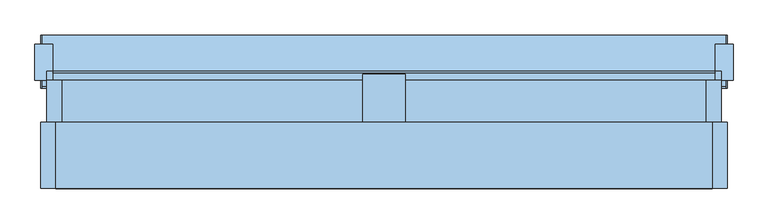
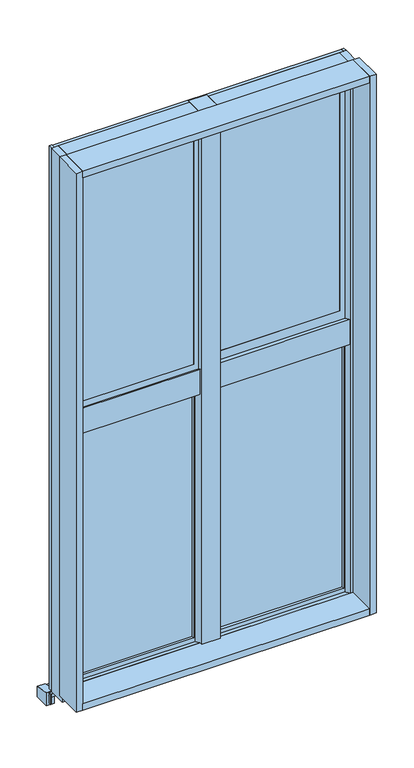
"""IFC4 building model written with IfcOpenShell, lengths in millimetres: window geometry."""

from ifc_helpers import new_model, si_unit, frame, origin, place, context, project, spatial, polyline, outline, extrude, faceted_brep, source, transform, mapped, element, save


def window_012dd9d3(model_context):
    return source(origin(), model_context, "Body", "SolidModel", [
        extrude(outline(polyline([(-40.0, 3030.0), (50.0, 3030.0), (50.0, 845.0), (-30.0, 845.0), (-30.0, 900.0), (-40.0, 900.0), (-40.0, 3030.0)])), frame((-35.0, 0.0, 0.0), z_axis=(1.0, 0.0, 0.0), x_axis=(0.0, 1.0, 0.0)), (0.0, 0.0, 1.0), 70.0),
        extrude(outline(polyline([(-535.0, -30.0), (-560.0, -30.0), (-560.0, 40.0), (-535.0, 40.0), (-535.0, -30.0)])), frame((0.0, 0.0, 845.0), z_axis=(0.0, 0.0, 1.0), x_axis=(1.0, 0.0, 0.0)), (0.0, 0.0, 1.0), 2185.0000244),
        extrude(outline(polyline([(535.0, -30.0), (535.0, 40.0), (560.0, 40.0), (560.0, -30.0), (535.0, -30.0)])), frame((0.0, 0.0, 845.0), z_axis=(0.0, 0.0, 1.0), x_axis=(1.0, 0.0, 0.0)), (0.0, 0.0, 1.0), 2185.0000244),
        extrude(outline(polyline([(39.9999993, 845.0), (-30.0, 845.0), (-30.0, 900.0), (39.9999993, 867.3584642), (39.9999993, 845.0)])), frame((-535.0, 0.0, 0.0), z_axis=(1.0, 0.0, 0.0), x_axis=(0.0, 1.0, 0.0)), (0.0, 0.0, 1.0), 500.0),
        extrude(outline(polyline([(-35.0, 40.0), (-35.0, -30.0), (-535.0, -30.0), (-535.0, 40.0), (-35.0, 40.0)])), frame((0.0, 0.0, 3000.0), z_axis=(0.0, 0.0, 1.0), x_axis=(1.0, 0.0, 0.0)), (0.0, 0.0, 1.0), 30.0),
        extrude(outline(polyline([(39.9999993, 845.0), (-30.0, 845.0), (-30.0, 900.0), (39.9999993, 867.3584642), (39.9999993, 845.0)])), frame((35.0, 0.0, 0.0), z_axis=(1.0, 0.0, 0.0), x_axis=(0.0, 1.0, 0.0)), (0.0, 0.0, 1.0), 500.0),
        extrude(outline(polyline([(535.0, 40.0), (535.0, -30.0), (35.0, -30.0), (35.0, 40.0), (535.0, 40.0)])), frame((0.0, 0.0, 3000.0), z_axis=(0.0, 0.0, 1.0), x_axis=(1.0, 0.0, 0.0)), (0.0, 0.0, 1.0), 30.0),
        extrude(outline(polyline([(-30.0, 1900.0), (-30.0, 2000.0), (40.0, 1967.3584639), (40.0, 1900.0), (-30.0, 1900.0)])), frame((-535.0, 0.0, 0.0), z_axis=(1.0, 0.0, 0.0), x_axis=(0.0, 1.0, 0.0)), (0.0, 0.0, 1.0), 500.0),
        extrude(outline(polyline([(-30.0, 1900.0), (-30.0, 2000.0), (40.0, 1967.3584639), (40.0, 1900.0), (-30.0, 1900.0)])), frame((35.0, 0.0, 0.0), z_axis=(1.0, 0.0, 0.0), x_axis=(0.0, 1.0, 0.0)), (0.0, 0.0, 1.0), 500.0),
        extrude(outline(polyline([(-40.0, 15.0), (-530.0, 15.0), (-530.0, 20.0), (-40.0, 20.0), (-40.0, 15.0)])), frame((0.0, 0.0, 900.0), z_axis=(0.0, 0.0, 1.0), x_axis=(1.0, 0.0, 0.0)), (0.0, 0.0, 1.0), 1000.0),
        faceted_brep([(-530.0, 5.0, 1900.0), (-530.0, 30.0, 1900.0), (-535.0, 30.0, 1900.0), (-535.0, 5.0, 1900.0), (-35.0, 5.0, 1900.0), (-35.0, 30.0, 1900.0), (-40.0, 30.0, 1900.0), (-40.0, 5.0, 1900.0), (-530.0, 5.0, 900.0), (-530.0, 30.0, 900.0), (-40.0, 30.0, 900.0), (-35.0, 30.0, 872.0215405), (-535.0, 30.0, 872.0215405), (-535.0, 5.0, 883.679232), (-35.0, 5.0, 883.679232), (-40.0, 5.0, 900.0)], [[[0, 1, 2, 3]], [[4, 5, 6, 7]], [[1, 0, 8, 9]], [[2, 1, 9, 10, 6, 5, 11, 12]], [[3, 2, 12, 13]], [[0, 3, 13, 14, 4, 7, 15, 8]], [[11, 5, 4, 14]], [[7, 6, 10, 15]], [[11, 14, 13, 12]], [[8, 15, 10, 9]]]),
        extrude(outline(polyline([(515.0, 5.0), (55.0, 5.0), (55.0, 35.0), (515.0, 35.0), (515.0, 5.0)])), frame((0.0, 0.0, 2020.0), z_axis=(0.0, 0.0, 1.0), x_axis=(1.0, 0.0, 0.0)), (0.0, 0.0, 1.0), 960.0),
        faceted_brep([(35.0, 35.0, 3000.0), (35.0, 5.0, 3000.0), (535.0, 5.0, 3000.0), (535.0, 35.0, 3000.0), (55.0, 5.0, 2980.0), (55.0, 5.0, 2020.0), (55.0, 35.0, 2020.0), (55.0, 35.0, 2980.0), (535.0, 35.0, 1969.6900022), (35.0, 35.0, 1969.6900022), (515.0, 35.0, 2020.0), (515.0, 35.0, 2980.0), (35.0, 5.0, 1983.679232), (535.0, 5.0, 1983.679232), (515.0, 5.0, 2980.0), (515.0, 5.0, 2020.0)], [[[0, 1, 2, 3]], [[4, 5, 6, 7]], [[0, 3, 8, 9], [6, 10, 11, 7]], [[1, 0, 9, 12]], [[2, 1, 12, 13], [4, 14, 15, 5]], [[8, 3, 2, 13]], [[11, 10, 15, 14]], [[8, 13, 12, 9]], [[10, 6, 5, 15]], [[7, 11, 14, 4]]]),
        extrude(outline(polyline([(-55.0, -20.0), (-515.0, -20.0), (-515.0, 30.0), (-55.0, 30.0), (-55.0, -20.0)])), frame((0.0, 0.0, 2020.0), z_axis=(0.0, 0.0, 1.0), x_axis=(1.0, 0.0, 0.0)), (0.0, 0.0, 1.0), 960.0),
        faceted_brep([(-535.0, 30.0, 3000.0), (-535.0, -20.0, 3000.0), (-35.0, -20.0, 3000.0), (-35.0, 30.0, 3000.0), (-515.0, -20.0, 2980.0), (-515.0, -20.0, 2020.0), (-515.0, 30.0, 2020.0), (-515.0, 30.0, 2980.0), (-35.0, 30.0, 1972.0215405), (-535.0, 30.0, 1972.0215405), (-55.0, 30.0, 2020.0), (-55.0, 30.0, 2980.0), (-535.0, -20.0, 1995.3369234), (-35.0, -20.0, 1995.3369234), (-55.0, -20.0, 2980.0), (-55.0, -20.0, 2020.0)], [[[0, 1, 2, 3]], [[4, 5, 6, 7]], [[0, 3, 8, 9], [6, 10, 11, 7]], [[1, 0, 9, 12]], [[2, 1, 12, 13], [4, 14, 15, 5]], [[8, 3, 2, 13]], [[11, 10, 15, 14]], [[8, 13, 12, 9]], [[10, 6, 5, 15]], [[7, 11, 14, 4]]]),
        extrude(outline(polyline([(530.0, 15.0), (40.0, 15.0), (40.0, 20.0), (530.0, 20.0), (530.0, 15.0)])), frame((0.0, 0.0, 900.0), z_axis=(0.0, 0.0, 1.0), x_axis=(1.0, 0.0, 0.0)), (0.0, 0.0, 1.0), 1000.0),
        faceted_brep([(40.0, 5.0, 1900.0), (40.0, 30.0, 1900.0), (35.0, 30.0, 1900.0), (35.0, 5.0, 1900.0), (535.0, 5.0, 1900.0), (535.0, 30.0, 1900.0), (530.0, 30.0, 1900.0), (530.0, 5.0, 1900.0), (40.0, 5.0, 900.0), (40.0, 30.0, 900.0), (530.0, 30.0, 900.0), (535.0, 30.0, 872.0215405), (35.0, 30.0, 872.0215405), (35.0, 5.0, 883.679232), (535.0, 5.0, 883.679232), (530.0, 5.0, 900.0)], [[[0, 1, 2, 3]], [[4, 5, 6, 7]], [[1, 0, 8, 9]], [[2, 1, 9, 10, 6, 5, 11, 12]], [[3, 2, 12, 13]], [[0, 3, 13, 14, 4, 7, 15, 8]], [[11, 5, 4, 14]], [[7, 6, 10, 15]], [[11, 14, 13, 12]], [[8, 15, 10, 9]]]),
        extrude(outline(polyline([(100.0, 837.6041372), (100.0, 794.7), (40.0, 794.7), (40.0, 848.2785558), (100.0, 837.6041372)])), frame((-580.0, 0.0, 0.0), z_axis=(1.0, 0.0, 0.0), x_axis=(0.0, 1.0, 0.0)), (0.0, 0.0, 1.0), 30.0),
        extrude(outline(polyline([(100.0, 837.6041372), (100.0, 794.7), (40.0, 794.7), (40.0, 848.2785558), (100.0, 837.6041372)])), frame((550.0, 0.0, 0.0), z_axis=(1.0, 0.0, 0.0), x_axis=(0.0, 1.0, 0.0)), (0.0, 0.0, 1.0), 30.0),
        extrude(outline(polyline([(40.0, 845.0), (40.0, 833.0430233), (115.0, 819.7), (115.0, 804.7), (27.0, 804.7), (27.0, 845.0), (40.0, 845.0)])), frame((-570.0, 0.0, 0.0), z_axis=(1.0, 0.0, 0.0), x_axis=(0.0, 1.0, 0.0)), (0.0, 0.0, 1.0), 1.5),
        extrude(outline(polyline([(40.0, 845.0), (40.0, 833.0430233), (115.0, 819.7), (115.0, 804.7), (27.0, 804.7), (27.0, 845.0), (40.0, 845.0)])), frame((568.5, 0.0, 0.0), z_axis=(1.0, 0.0, 0.0), x_axis=(0.0, 1.0, 0.0)), (0.0, 0.0, 1.0), 1.5),
        extrude(outline(polyline([(115.0, 819.7), (115.0, 804.7), (113.0, 804.7), (113.0, 818.0244096), (27.0, 833.3244096), (27.0, 845.0), (29.0, 845.0), (29.0, 835.0), (115.0, 819.7)])), frame((-568.5, 0.0, 0.0), z_axis=(1.0, 0.0, 0.0), x_axis=(0.0, 1.0, 0.0)), (0.0, 0.0, 1.0), 1137.0),
        extrude(outline(polyline([(113.0, 818.0244096), (113.0, 804.7), (100.0, 804.7), (100.0, 820.3372003), (113.0, 818.0244096)])), frame((-568.5, 0.0, 0.0), z_axis=(1.0, 0.0, 0.0), x_axis=(0.0, 1.0, 0.0)), (0.0, 0.0, 1.0), 1137.0),
        extrude(outline(polyline([(29.0, 845.0), (40.0, 845.0), (40.0, 833.0430233), (29.0, 835.0), (29.0, 845.0)])), frame((-568.5, 0.0, 0.0), z_axis=(1.0, 0.0, 0.0), x_axis=(0.0, 1.0, 0.0)), (0.0, 0.0, 1.0), 1137.0),
        extrude(outline(polyline([(545.0, -30.0), (545.0, -140.0), (-545.0, -140.0), (-545.0, -30.0), (545.0, -30.0)])), frame((0.0, 0.0, 875.0), z_axis=(0.0, 0.0, 1.0), x_axis=(1.0, 0.0, 0.0)), (0.0, 0.0, 1.0), 25.0),
        extrude(outline(polyline([(545.0, -30.0), (545.0, -140.0), (-545.0, -140.0), (-545.0, -30.0), (545.0, -30.0)])), frame((0.0, 0.0, 3015.0), z_axis=(0.0, 0.0, 1.0), x_axis=(1.0, 0.0, 0.0)), (0.0, 0.0, 1.0), 25.0),
        extrude(outline(polyline([(545.0, -30.0), (570.0, -30.0), (570.0, -140.0), (545.0, -140.0), (545.0, -30.0)])), frame((0.0, 0.0, 875.0), z_axis=(0.0, 0.0, 1.0), x_axis=(1.0, 0.0, 0.0)), (0.0, 0.0, 1.0), 2165.0),
        extrude(outline(polyline([(-545.0, -30.0), (-545.0, -140.0), (-570.0, -140.0), (-570.0, -30.0), (-545.0, -30.0)])), frame((0.0, 0.0, 875.0), z_axis=(0.0, 0.0, 1.0), x_axis=(1.0, 0.0, 0.0)), (0.0, 0.0, 1.0), 2165.0),
        extrude(outline(polyline([(55.0, 830.6534091), (40.0, 833.2613636), (40.0, 3030.0), (55.0, 3030.0), (55.0, 830.6534091)])), frame((-560.0, 0.0, 0.0), z_axis=(1.0, 0.0, 0.0), x_axis=(0.0, 1.0, 0.0)), (0.0, 0.0, 1.0), 10.0),
        extrude(outline(polyline([(55.0, 830.6534091), (40.0, 833.2613636), (40.0, 3030.0), (55.0, 3030.0), (55.0, 830.6534091)])), frame((550.0, 0.0, 0.0), z_axis=(1.0, 0.0, 0.0), x_axis=(0.0, 1.0, 0.0)), (0.0, 0.0, 1.0), 10.0),
        extrude(outline(polyline([(55.0, 3020.0), (40.0, 3020.0), (40.0, 3030.0), (52.5, 3030.0), (55.0, 3020.0)])), frame((-550.0, 0.0, 0.0), z_axis=(1.0, 0.0, 0.0), x_axis=(0.0, 1.0, 0.0)), (0.0, 0.0, 1.0), 1100.0),
    ])


if __name__ == "__main__":
    model = new_model("IFC4")
    model_context = context("Model", 3, world=origin())
    ifc_project = project(units=[si_unit("LENGTHUNIT", "METRE", prefix="MILLI")], contexts=[model_context])
    site = spatial("IfcSite", under=ifc_project)
    building = spatial("IfcBuilding", under=site)
    placement = place(None, origin())
    window_shape = window_012dd9d3(model_context)
    element("IfcWindow", 1, at=placement, inside=building, context=model_context, shape_type="MappedRepresentation", body=[
        mapped(window_shape, transform((0.0, 0.0, 0.0), x_axis=(1.0, 0.0, 0.0), y_axis=(0.0, 1.0, 0.0), z_axis=(0.0, 0.0, 1.0))),
    ])
    save(model, "model.ifc")
